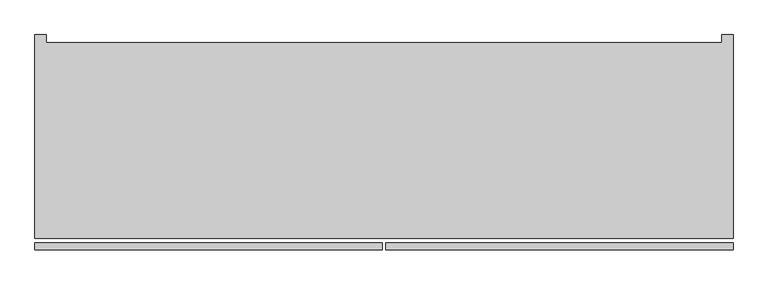
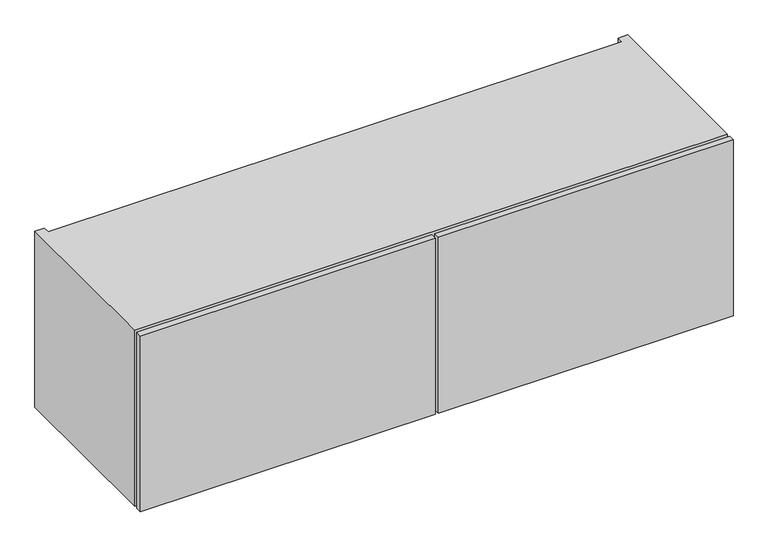
"""IFC4 building model written with IfcOpenShell, lengths in millimetres: furniture geometry."""

from ifc_helpers import new_model, si_unit, frame, origin, place, context, project, spatial, polyline, outline, extrude, faceted_brep, source, transform, mapped, element, save


def furniture_d0cefbe7(model_context):
    return source(origin(), model_context, "Body", "SolidModel", [
        extrude(outline(polyline([(146.685, -215.8273724), (-457.2, -215.8273724), (-457.2, -203.1273724), (146.685, -203.1273724), (146.685, -215.8273724)])), frame((0.0, 0.0, 1041.4), z_axis=(0.0, 0.0, 1.0), x_axis=(1.0, 0.0, 0.0)), (0.0, 0.0, 1.0), 381.0),
        extrude(outline(polyline([(756.92, -215.8273724), (153.035, -215.8273724), (153.035, -203.1273724), (756.92, -203.1273724), (756.92, -215.8273724)])), frame((0.0, 0.0, 1041.4), z_axis=(0.0, 0.0, 1.0), x_axis=(1.0, 0.0, 0.0)), (0.0, 0.0, 1.0), 381.0),
        extrude(outline(polyline([(737.616, 145.5282676), (737.616, 126.2242676), (-437.896, 126.2242676), (-437.896, 145.5282676), (737.616, 145.5282676)])), frame((0.0, 0.0, 1060.704), z_axis=(0.0, 0.0, 1.0), x_axis=(1.0, 0.0, 0.0)), (0.0, 0.0, 1.0), 342.392),
        faceted_brep([(-457.2, -195.5073724, 1422.4), (-457.2, -195.5073724, 1041.4), (756.92, -195.5073724, 1041.4), (756.92, -195.5073724, 1422.4), (-437.896, -195.5073724, 1403.096), (737.616, -195.5073724, 1403.096), (737.616, -195.5073724, 1060.704), (-437.896, -195.5073724, 1060.704), (737.616, 145.5282676, 1403.096), (-437.896, 145.5282676, 1403.096), (-437.896, 145.5282676, 1422.4), (737.616, 145.5282676, 1422.4), (737.616, 145.5282676, 1041.4), (-437.896, 145.5282676, 1041.4), (-437.896, 145.5282676, 1060.704), (737.616, 145.5282676, 1060.704), (756.92, 158.8226276, 1422.4), (737.616, 158.8226276, 1422.4), (-437.896, 158.8226276, 1422.4), (-457.2, 158.8226276, 1422.4), (-457.2, 158.8226276, 1041.4), (-437.896, 158.8226276, 1041.4), (737.616, 158.8226276, 1041.4), (756.92, 158.8226276, 1041.4)], [[[0, 1, 2, 3], [4, 5, 6, 7]], [[8, 9, 10, 11]], [[12, 13, 14, 15]], [[0, 3, 16, 17, 11, 10, 18, 19]], [[5, 4, 9, 8]], [[7, 6, 15, 14]], [[2, 1, 20, 21, 13, 12, 22, 23]], [[19, 18, 21, 20]], [[0, 19, 20, 1]], [[21, 18, 10, 9, 4, 7, 14, 13]], [[17, 22, 12, 15, 6, 5, 8, 11]], [[16, 3, 2, 23]], [[17, 16, 23, 22]]]),
    ])


if __name__ == "__main__":
    model = new_model("IFC4")
    model_context = context("Model", 3, world=origin())
    ifc_project = project(units=[si_unit("LENGTHUNIT", "METRE", prefix="MILLI")], contexts=[model_context])
    site = spatial("IfcSite", under=ifc_project)
    building = spatial("IfcBuilding", under=site)
    placement = place(None, origin())
    furniture_shape = furniture_d0cefbe7(model_context)
    element("IfcFurniture", 1, at=placement, inside=building, context=model_context, shape_type="MappedRepresentation", body=[
        mapped(furniture_shape, transform((0.0, 0.0, 0.0), x_axis=(1.0, 0.0, 0.0), y_axis=(0.0, 1.0, 0.0), z_axis=(0.0, 0.0, 1.0))),
    ])
    save(model, "model.ifc")
